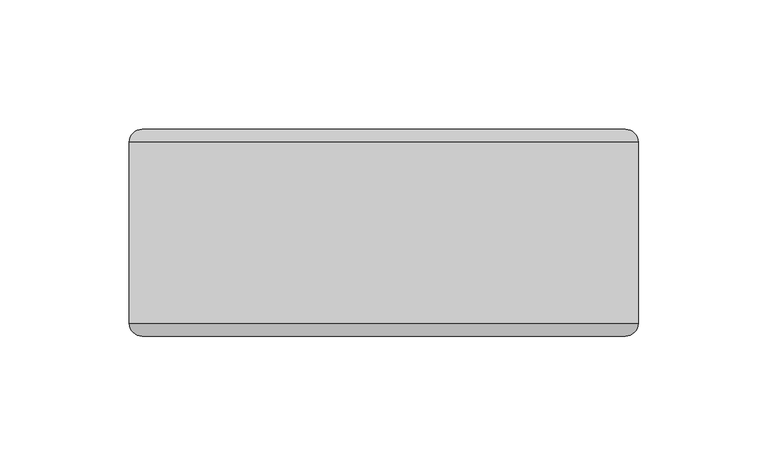
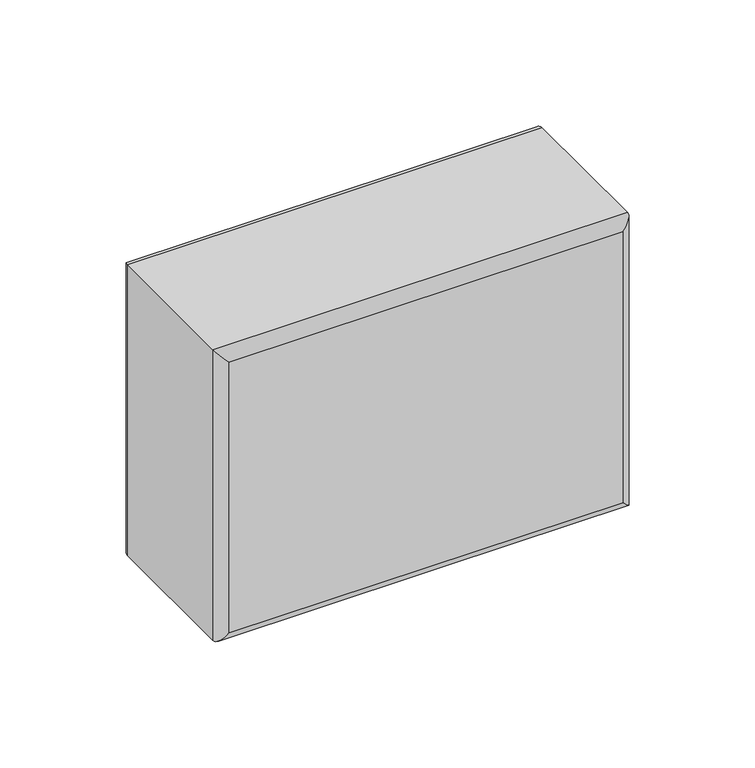
"""IFC4 building model written with IfcOpenShell, lengths in millimetres: plate geometry."""

import ifcopenshell
import ifcopenshell.guid

model = None  # the IFC model being written
_history = None  # IfcOwnerHistory: only IFC2X3 demands one
_inside = {}  # id of a spatial element -> (the spatial element, [elements in it])
_under = {}  # id of a project, library or spatial element -> (it, [spatial elements below it])
_declared = {}  # id of a project -> (the project, [libraries it declares])
_typed = {}  # id of a type object -> (the type object, [elements of that type])
_made_of = {}  # id of a material, layer set ... -> (it, [elements and type objects made of it])


def new_model(schema):
    """Start an empty IFC model of exactly this schema.

    Asked for "IFC4X3", IfcOpenShell would pick the latest addendum, in which some entities
    have other attributes; the version numbers below select the first issue.
    IFC2X3 requires an IfcOwnerHistory on every rooted entity: one is made here for all.
    """
    global model, _history
    if schema == "IFC4X3":
        model = ifcopenshell.file(schema_version=(4, 3, 0, 0))
    else:
        model = ifcopenshell.file(schema=schema)
    _inside.clear()
    _under.clear()
    _declared.clear()
    _typed.clear()
    _made_of.clear()
    _history = None
    if model.schema == "IFC2X3":
        org = make("IfcOrganization", Name="unknown")
        user = make(
            "IfcPersonAndOrganization",
            ThePerson=make("IfcPerson", FamilyName="unknown"),
            TheOrganization=org,
        )
        app = make(
            "IfcApplication",
            ApplicationDeveloper=org,
            Version="unknown",
            ApplicationFullName="unknown",
            ApplicationIdentifier="unknown",
        )
        _history = make(
            "IfcOwnerHistory",
            OwningUser=user,
            OwningApplication=app,
            ChangeAction="ADDED",
            CreationDate=0,
        )
    return model


def make(cls, **values):
    """One entity of the class cls with the attributes given. An attribute that is None is left unset."""
    return model.create_entity(
        cls, **{name: value for name, value in values.items() if value is not None}
    )


def rooted(cls, **values):
    """An entity with a GlobalId (a new one), such as an element, a storey or a relation."""
    return make(cls, GlobalId=ifcopenshell.guid.new(), OwnerHistory=_history, **values)


def si_unit(unit_type, name, prefix=None):
    """IfcSIUnit, for example si_unit("LENGTHUNIT", "METRE", prefix="MILLI")."""
    return make("IfcSIUnit", UnitType=unit_type, Prefix=prefix, Name=name)


def assignment(units):
    """IfcUnitAssignment: the units of a project."""
    return None if units is None else make("IfcUnitAssignment", Units=units)


def point(xyz):
    """IfcCartesianPoint."""
    return None if xyz is None else make("IfcCartesianPoint", Coordinates=xyz)


def direction(xyz):
    """IfcDirection."""
    return None if xyz is None else make("IfcDirection", DirectionRatios=xyz)


def frame(location, z_axis=None, x_axis=None):
    """IfcAxis2Placement3D, a coordinate frame: its origin and axes. An axis left out is left unset."""
    return make(
        "IfcAxis2Placement3D",
        Location=point(location),
        Axis=direction(z_axis),
        RefDirection=direction(x_axis),
    )


def origin():
    """The frame at (0, 0, 0) with its axes left unset."""
    return frame((0.0, 0.0, 0.0))


def place(relative_to, where):
    """IfcLocalPlacement: puts the frame where relative to a parent placement (None: the world)."""
    return make(
        "IfcLocalPlacement", PlacementRelTo=relative_to, RelativePlacement=where
    )


def context(
    kind, dimensions, precision=None, world=None, true_north=None, identifier=None
):
    """IfcGeometricRepresentationContext, for example the 3D "Model" context."""
    return make(
        "IfcGeometricRepresentationContext",
        ContextIdentifier=identifier,
        ContextType=kind,
        CoordinateSpaceDimension=dimensions,
        Precision=precision,
        WorldCoordinateSystem=world,
        TrueNorth=true_north,
    )


def project(units=None, contexts=None):
    """IfcProject with its units and contexts."""
    return rooted(
        "IfcProject",
        Name="project",
        RepresentationContexts=contexts,
        UnitsInContext=assignment(units),
    )


def spatial(cls, under=None, at=None, **own):
    """A site, building, storey or space (cls), placed at a placement, below another one or the project."""
    s = rooted(cls, ObjectPlacement=at, **own)
    if under is not None:
        _under.setdefault(under.id(), (under, []))[1].append(s)
    return s


def ellipse_curve(where, semi_axis1, semi_axis2):
    """IfcEllipse in the frame where."""
    return make(
        "IfcEllipse", Position=where, SemiAxis1=semi_axis1, SemiAxis2=semi_axis2
    )


def shape(context_of_items, identifier, shape_type, items):
    """IfcShapeRepresentation: the items that make up one representation, for example the "Body"."""
    return make(
        "IfcShapeRepresentation",
        ContextOfItems=context_of_items,
        RepresentationIdentifier=identifier,
        RepresentationType=shape_type,
        Items=items,
    )


def source(mapping_origin, context_of_items, identifier, shape_type, items):
    """IfcRepresentationMap: a shape defined once, which mapped items show again and again."""
    return make(
        "IfcRepresentationMap",
        MappingOrigin=mapping_origin,
        MappedRepresentation=shape(context_of_items, identifier, shape_type, items),
    )


def transform(
    local_origin,
    x_axis=None,
    y_axis=None,
    z_axis=None,
    scale=None,
    scale2=None,
    scale3=None,
    uniform=True,
):
    """IfcCartesianTransformationOperator3D, or its non-uniform kind. x_axis, y_axis, z_axis: its Axis1, 2, 3."""
    if uniform:
        return make(
            "IfcCartesianTransformationOperator3D",
            Axis1=direction(x_axis),
            Axis2=direction(y_axis),
            LocalOrigin=point(local_origin),
            Scale=scale,
            Axis3=direction(z_axis),
        )
    return make(
        "IfcCartesianTransformationOperator3DnonUniform",
        Axis1=direction(x_axis),
        Axis2=direction(y_axis),
        LocalOrigin=point(local_origin),
        Scale=scale,
        Axis3=direction(z_axis),
        Scale2=scale2,
        Scale3=scale3,
    )


def mapped(mapping_source, mapping_target):
    """IfcMappedItem: shows the shape of a source again, moved by a transform."""
    return make(
        "IfcMappedItem", MappingSource=mapping_source, MappingTarget=mapping_target
    )


def made_of(thing, what):
    """Note that an element or type object is made of a material, layer set ...; save() writes the relation."""
    if what is not None:
        _made_of.setdefault(what.id(), (what, []))[1].append(thing)
    return thing


def element(
    cls,
    number,
    at=None,
    inside=None,
    cuts=None,
    type_object=None,
    material=None,
    context=None,
    identifier="Body",
    shape_type=None,
    held_by="IfcProductDefinitionShape",
    body=None,
    shapes=None,
    **own,
):
    """One element of the class cls, such as IfcWall. Its Tag is "e" and its number.

    at: its placement. inside: the storey or other place that contains it. cuts: it is an
    opening in that element (IfcRelVoidsElement). A single representation is given by context,
    identifier, shape_type and body (its items); several are given by shapes. held_by: the class
    of the entity that holds the representations. save() writes the other relations.
    """
    e = rooted(cls, Tag="e%d" % number, ObjectPlacement=at, **own)
    if body is not None:
        shapes = [shape(context, identifier, shape_type, body)]
    if shapes is not None:
        e.Representation = make(held_by, Representations=shapes)
    if inside is not None:
        _inside.setdefault(inside.id(), (inside, []))[1].append(e)
    if cuts is not None:
        rooted(
            "IfcRelVoidsElement", RelatingBuildingElement=cuts, RelatedOpeningElement=e
        )
    if type_object is not None:
        _typed.setdefault(type_object.id(), (type_object, []))[1].append(e)
    return made_of(e, material)


def aggregate(whole, parts):
    """IfcRelAggregates: a whole, such as a stair, and the parts it consists of."""
    return rooted("IfcRelAggregates", RelatingObject=whole, RelatedObjects=parts)


def save(model, path):
    """Write the relations noted so far, then the file.

    IfcRelAggregates (storeys below a building ...), IfcRelContainedInSpatialStructure (elements
    in a storey), IfcRelDefinesByType, IfcRelAssociatesMaterial and IfcRelDeclares: one each for
    every whole, place, type object, material and project.
    """
    for whole, parts in _under.values():
        aggregate(whole, parts)
    for where, things in _inside.values():
        rooted(
            "IfcRelContainedInSpatialStructure",
            RelatedElements=things,
            RelatingStructure=where,
        )
    for kind, things in _typed.values():
        rooted("IfcRelDefinesByType", RelatedObjects=things, RelatingType=kind)
    for what, things in _made_of.values():
        rooted("IfcRelAssociatesMaterial", RelatedObjects=things, RelatingMaterial=what)
    for by, libraries in _declared.values():
        rooted("IfcRelDeclares", RelatingContext=by, RelatedDefinitions=libraries)
    model.write(path)


def plane_surface(at):
    """IfcPlane: the flat surface through the origin of the frame at, square to its z axis."""
    return make("IfcPlane", Position=at)


def cylinder_surface(at, radius):
    """IfcCylindricalSurface: all points at the distance radius from the z axis of the frame at."""
    return make("IfcCylindricalSurface", Position=at, Radius=radius)


def advanced_brep(points, edges, surfaces, faces):
    """IfcAdvancedBrep: a solid bounded by faces that lie on surfaces and meet in shared edges.

    An edge is (start, end): straight between two places in points (the first is 0);
    or (start, end, curve); or (start, end, curve, False) where it runs against its curve.
    A face is (place in surfaces, loops), or (place, loops, False) where it looks against
    its surface's normal. A loop lists edges by number (the first is 1), with a minus sign
    where the edge is run from its end to its start. The first loop is the outer one.
    """
    corners = [point(p) for p in points]
    vertices = [make("IfcVertexPoint", VertexGeometry=c) for c in corners]
    made = []
    for start, end, *more in edges:
        made.append(
            make(
                "IfcEdgeCurve",
                EdgeStart=vertices[start],
                EdgeEnd=vertices[end],
                EdgeGeometry=more[0] if more else make("IfcPolyline", Points=[corners[start], corners[end]]),
                SameSense=more[1] if len(more) > 1 else True,
            )
        )
    hull = []
    for where, loops, *sense in faces:
        bounds = []
        for j, loop in enumerate(loops):
            ring = [make("IfcOrientedEdge", EdgeElement=made[abs(k) - 1], Orientation=k > 0) for k in loop]
            bounds.append(
                make(
                    "IfcFaceOuterBound" if j == 0 else "IfcFaceBound",
                    Bound=make("IfcEdgeLoop", EdgeList=ring),
                    Orientation=True,
                )
            )
        hull.append(make("IfcAdvancedFace", Bounds=bounds, FaceSurface=surfaces[where], SameSense=sense[0] if sense else True))
    return make("IfcAdvancedBrep", Outer=make("IfcClosedShell", CfsFaces=hull))


def plate_b1c3beb0(model_context):
    return source(origin(), model_context, "Body", "AdvancedBrep", [
        advanced_brep(
        [(-98.4249998, -35.0, 146.0336248), (98.5750002, -35.0, 146.0336248), (98.5750002, 35.0, 146.0336248), (-98.4249998, 35.0, 146.0336248), (98.5750002, -35.0, 0.0), (-98.4249998, -35.0, 0.0), (-98.4249998, 35.0, 0.0), (98.5750002, 35.0, 0.0), (-93.4249998, -40.0, 5.0), (93.5750002, -40.0, 5.0), (93.5750002, -40.0, 141.0336248), (-93.4249998, -40.0, 141.0336248), (93.5750002, 40.0, 5.0), (-93.4249998, 40.0, 5.0), (-93.4249998, 40.0, 141.0336248), (93.5750002, 40.0, 141.0336248)],
        [
            (0, 1),
            (1, 2),
            (2, 3),
            (3, 0),
            (4, 5),
            (5, 6),
            (6, 7),
            (7, 4),
            (8, 9),
            (9, 10),
            (10, 11),
            (11, 8),
            (1, 4),
            (7, 2),
            (12, 13),
            (13, 14),
            (14, 15),
            (15, 12),
            (5, 0),
            (3, 6),
            (4, 9, ellipse_curve(frame((93.5750002, -35.0, 5.0), z_axis=(-0.7071067811865475, 0.0, -0.7071067811865475), x_axis=(0.7071067811865476, 0.0, -0.7071067811865474)), 7.0710678, 5.0)),
            (8, 5, ellipse_curve(frame((-93.4249998, -35.0, 5.0), z_axis=(0.7071067811865475, 0.0, -0.7071067811865475), x_axis=(0.7071067811865476, 0.0, 0.7071067811865474)), 7.0710678, 5.0)),
            (1, 10, ellipse_curve(frame((93.5750002, -35.0, 141.0336248), z_axis=(0.7071067811865475, 0.0, -0.7071067811865475), x_axis=(0.7071067811865474, 0.0, 0.7071067811865476)), 7.0710678, 5.0)),
            (0, 11, ellipse_curve(frame((-93.4249998, -35.0, 141.0336248), z_axis=(0.7071067811865475, 0.0, 0.7071067811865475), x_axis=(-0.7071067811865476, 0.0, 0.7071067811865474)), 7.0710678, 5.0)),
            (12, 7, ellipse_curve(frame((93.5750002, 35.0, 5.0), z_axis=(-0.7071067811865475, 0.0, -0.7071067811865475), x_axis=(0.7071067811865476, 0.0, -0.7071067811865474)), 7.0710678, 5.0)),
            (6, 13, ellipse_curve(frame((-93.4249998, 35.0, 5.0), z_axis=(0.7071067811865475, 0.0, -0.7071067811865475), x_axis=(0.7071067811865476, 0.0, 0.7071067811865474)), 7.0710678, 5.0)),
            (15, 2, ellipse_curve(frame((93.5750002, 35.0, 141.0336248), z_axis=(0.7071067811865475, 0.0, -0.7071067811865475), x_axis=(0.7071067811865474, 0.0, 0.7071067811865476)), 7.0710678, 5.0)),
            (14, 3, ellipse_curve(frame((-93.4249998, 35.0, 141.0336248), z_axis=(0.7071067811865475, 0.0, 0.7071067811865475), x_axis=(-0.7071067811865476, 0.0, 0.7071067811865474)), 7.0710678, 5.0)),
        ],
        [
            plane_surface(frame((-98.4249998, -40.0, 146.0336248), z_axis=(0.0, 0.0, 1.0), x_axis=(1.0, 0.0, 0.0))),
            plane_surface(frame((-98.4249998, -40.0, 0.0), z_axis=(0.0, 0.0, -1.0), x_axis=(-1.0, 0.0, 0.0))),
            plane_surface(frame((-98.4249998, -40.0, 146.0336248), z_axis=(0.0, -1.0, 0.0), x_axis=(0.0, 0.0, -1.0))),
            plane_surface(frame((98.5750002, -40.0, 146.0336248), z_axis=(1.0, 0.0, 0.0), x_axis=(0.0, 0.0, -1.0))),
            plane_surface(frame((98.5750002, 40.0, 146.0336248), z_axis=(0.0, 1.0, 0.0), x_axis=(0.0, 0.0, -1.0))),
            plane_surface(frame((-98.4249998, 40.0, 146.0336248), z_axis=(-1.0, 0.0, 0.0), x_axis=(0.0, 0.0, -1.0))),
            cylinder_surface(frame((-98.4249998, -35.0, 5.0), z_axis=(1.0, 0.0, 0.0), x_axis=(0.0, 0.0, -1.0)), 5.0),
            cylinder_surface(frame((93.5750002, -35.0, 0.0), z_axis=(0.0, 0.0, 1.0), x_axis=(1.0, 0.0, 0.0)), 5.0),
            cylinder_surface(frame((98.5750002, -35.0, 141.0336248), z_axis=(-1.0, 0.0, 0.0), x_axis=(0.0, 0.0, 1.0)), 5.0),
            cylinder_surface(frame((-93.4249998, -35.0, 146.0336248), z_axis=(0.0, 0.0, -1.0), x_axis=(-1.0, 0.0, 0.0)), 5.0),
            cylinder_surface(frame((-98.4249998, 35.0, 5.0), z_axis=(1.0, 0.0, 0.0), x_axis=(0.0, 0.0, -1.0)), 5.0),
            cylinder_surface(frame((93.5750002, 35.0, 0.0), z_axis=(0.0, 0.0, 1.0), x_axis=(1.0, 0.0, 0.0)), 5.0),
            cylinder_surface(frame((98.5750002, 35.0, 141.0336248), z_axis=(-1.0, 0.0, 0.0), x_axis=(0.0, 0.0, 1.0)), 5.0),
            cylinder_surface(frame((-93.4249998, 35.0, 146.0336248), z_axis=(0.0, 0.0, -1.0), x_axis=(-1.0, 0.0, 0.0)), 5.0),
        ],
        [
            (0, [[1, 2, 3, 4]]),
            (1, [[5, 6, 7, 8]]),
            (2, [[9, 10, 11, 12]]),
            (3, [[13, -8, 14, -2]]),
            (4, [[15, 16, 17, 18]]),
            (5, [[19, -4, 20, -6]]),
            (6, [[21, -9, 22, -5]]),
            (7, [[-21, -13, 23, -10]]),
            (8, [[-23, -1, 24, -11]]),
            (9, [[-22, -12, -24, -19]]),
            (10, [[25, -7, 26, -15]]),
            (11, [[-25, -18, 27, -14]]),
            (12, [[-27, -17, 28, -3]]),
            (13, [[-26, -20, -28, -16]]),
        ],
    ),
    ])


if __name__ == "__main__":
    model = new_model("IFC4")
    model_context = context("Model", 3, world=origin())
    ifc_project = project(units=[si_unit("LENGTHUNIT", "METRE", prefix="MILLI")], contexts=[model_context])
    site = spatial("IfcSite", under=ifc_project)
    building = spatial("IfcBuilding", under=site)
    placement = place(None, origin())
    plate_shape = plate_b1c3beb0(model_context)
    element("IfcPlate", 1, at=placement, inside=building, context=model_context, shape_type="MappedRepresentation", body=[
        mapped(plate_shape, transform((0.0, 0.0, 0.0), x_axis=(1.0, 0.0, 0.0), y_axis=(0.0, 1.0, 0.0), z_axis=(0.0, 0.0, 1.0))),
    ])
    save(model, "model.ifc")
